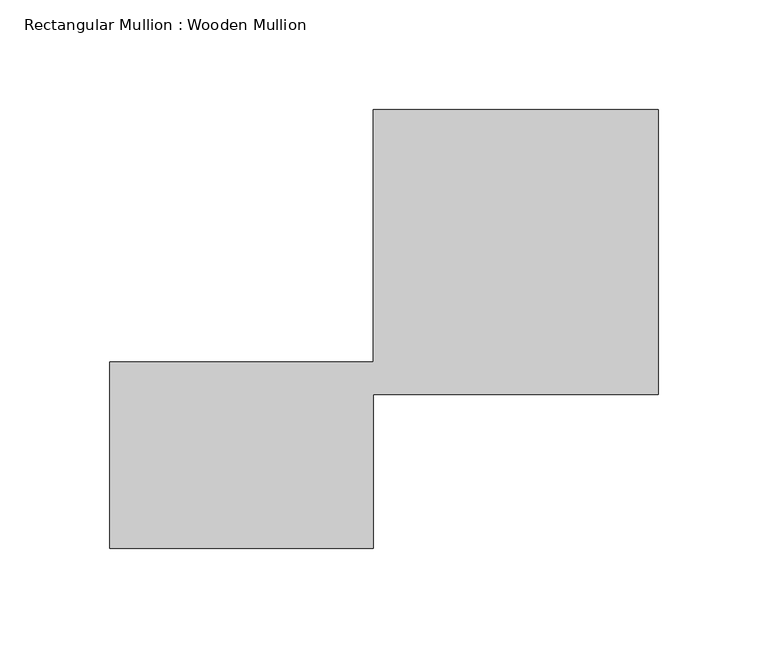
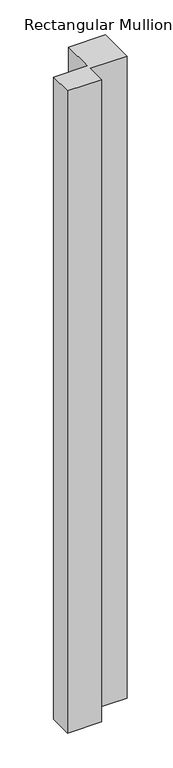
"""IFC4 building model written with IfcOpenShell, lengths in millimetres: member geometry, Rectangular Mullion : Wooden Mullion."""

from ifc_helpers import new_model, si_unit, frame, origin, place, context, project, spatial, polyline, outline, extrude, source, transform, mapped, element, save


def rectangular_mullion_wooden_mullion_96c03ba9(model_context):
    return source(origin(), model_context, "Body", "SweptSolid", [
        extrude(outline(polyline([(74.8100006, -26.0137344), (-45.1899994, -26.0137344), (-45.1899994, 58.9862656), (74.8100006, 58.9862656), (74.8100006, 173.9862656), (204.8100006, 173.9862656), (204.8100006, 43.9862656), (74.8100006, 43.9862656), (74.8100006, -26.0137344)])), frame((0.0, 0.0, -2395.119872), z_axis=(0.0, 0.0, 1.0), x_axis=(1.0, 0.0, 0.0)), (0.0, 0.0, 1.0), 2395.119872),
    ])


if __name__ == "__main__":
    model = new_model("IFC4")
    model_context = context("Model", 3, world=origin())
    ifc_project = project(units=[si_unit("LENGTHUNIT", "METRE", prefix="MILLI")], contexts=[model_context])
    site = spatial("IfcSite", under=ifc_project)
    building = spatial("IfcBuilding", under=site)
    placement = place(None, origin())
    rectangular_mullion_wooden_mullion_shape = rectangular_mullion_wooden_mullion_96c03ba9(model_context)
    element("IfcMember", 1, ObjectType="Rectangular Mullion : Wooden Mullion", at=placement, inside=building, context=model_context, shape_type="MappedRepresentation", body=[
        mapped(rectangular_mullion_wooden_mullion_shape, transform((0.0, 0.0, 0.0), x_axis=(1.0, 0.0, 0.0), y_axis=(0.0, 1.0, 0.0), z_axis=(0.0, 0.0, 1.0))),
    ])
    save(model, "model.ifc")
